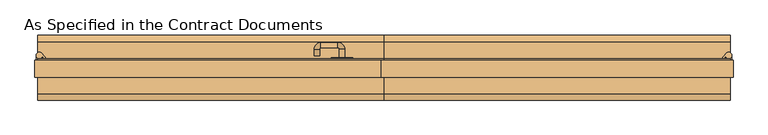
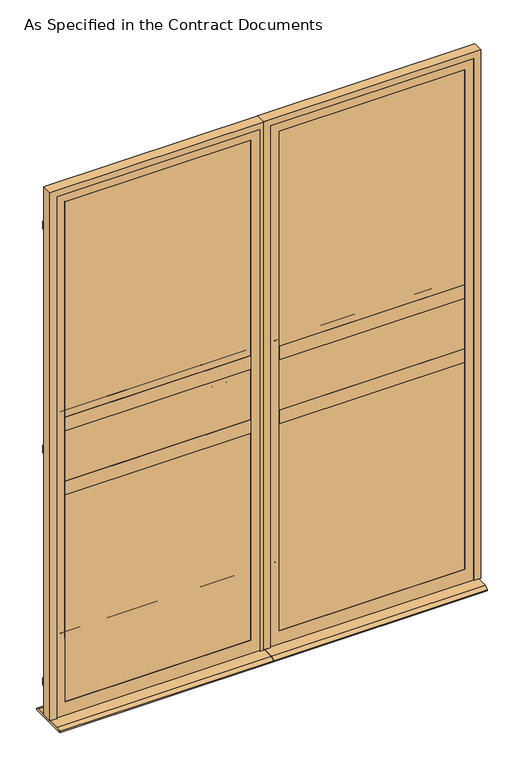
"""IFC4 building model written with IfcOpenShell, lengths in millimetres: door geometry, As Specified in the Contract Documents."""

from ifc_helpers import new_model, si_unit, point, frame, frame_2d, origin, place, context, project, spatial, polyline, circle_curve, ellipse_curve, trimmed, segment, composite_curve, outline, extrude, faceted_brep, source, transform, mapped, element, save
from ifc_brep_helpers import plane_surface, cylinder_surface, revolved_surface, advanced_brep


def as_specified_in_the_contract_documents_c874799b(model_context):
    return source(origin(), model_context, "Body", "SolidModel", [
        extrude(outline(composite_curve([segment(trimmed(circle_curve(frame_2d((747.5094297, 43.9744777)), 6.35), [point((753.8594297, 43.9744777))], [point((741.1594297, 43.9744777))], False, "CARTESIAN"), True, "CONTINUOUS"), segment(trimmed(circle_curve(frame_2d((747.5094297, 43.9744777)), 6.35), [point((741.1594297, 43.9744777))], [point((753.8594297, 43.9744777))], False, "CARTESIAN"), True, "CONTINUOUS")], self_intersect=False)), frame((0.0, 0.0, 1974.4305689), z_axis=(0.0, 0.0, 1.0), x_axis=(1.0, 0.0, 0.0)), (0.0, 0.0, 1.0), 1.6100561),
        extrude(outline(composite_curve([segment(polyline([(754.917399, 32.5375), (751.742399, 32.5375), (751.742399, 37.8950057)]), True, "CONTINUOUS"), segment(trimmed(circle_curve(frame_2d((747.5094297, 43.9744777)), 7.4079693), [point((751.742399, 37.8950057))], [point((754.917399, 43.9744777))], False, "CARTESIAN"), True, "CONTINUOUS"), segment(polyline([(754.917399, 43.9744777), (754.917399, 32.5375)]), True, "CONTINUOUS")], self_intersect=False)), frame((0.0, 0.0, 1962.9211939), z_axis=(0.0, 0.0, 1.0), x_axis=(1.0, 0.0, 0.0)), (0.0, 0.0, 1.0), 11.509375),
        extrude(outline(composite_curve([segment(polyline([(731.2867368, 35.7125), (741.7523563, 48.6364639)]), True, "CONTINUOUS"), segment(trimmed(circle_curve(frame_2d((747.5094297, 43.9744777)), 7.4079693), [point((741.7523563, 48.6364639))], [point((740.3938591, 41.9137345))], False, "CARTESIAN"), True, "CONTINUOUS"), segment(polyline([(740.3938591, 41.9137345), (735.3721984, 35.7125), (731.2867368, 35.7125)]), True, "CONTINUOUS")], self_intersect=False)), frame((0.0, 0.0, 1976.040625), z_axis=(0.0, 0.0, 1.0), x_axis=(1.0, 0.0, 0.0)), (0.0, 0.0, 1.0), 11.509375),
        extrude(outline(composite_curve([segment(trimmed(circle_curve(frame_2d((747.5094297, 43.9744777)), 6.35), [point((753.8594297, 43.9744777))], [point((741.1594297, 43.9744777))], False, "CARTESIAN"), True, "CONTINUOUS"), segment(trimmed(circle_curve(frame_2d((747.5094297, 43.9744777)), 6.35), [point((741.1594297, 43.9744777))], [point((753.8594297, 43.9744777))], False, "CARTESIAN"), True, "CONTINUOUS")], self_intersect=False)), frame((0.0, 0.0, 1074.7375), z_axis=(0.0, 0.0, 1.0), x_axis=(1.0, 0.0, 0.0)), (0.0, 0.0, 1.0), 1.6100561),
        extrude(outline(composite_curve([segment(polyline([(754.917399, 32.5375), (751.742399, 32.5375), (751.742399, 37.8950057)]), True, "CONTINUOUS"), segment(trimmed(circle_curve(frame_2d((747.5094297, 43.9744777)), 7.4079693), [point((751.742399, 37.8950057))], [point((754.917399, 43.9744777))], False, "CARTESIAN"), True, "CONTINUOUS"), segment(polyline([(754.917399, 43.9744777), (754.917399, 32.5375)]), True, "CONTINUOUS")], self_intersect=False)), frame((0.0, 0.0, 1063.228125), z_axis=(0.0, 0.0, 1.0), x_axis=(1.0, 0.0, 0.0)), (0.0, 0.0, 1.0), 11.509375),
        extrude(outline(composite_curve([segment(polyline([(731.2867368, 35.7125), (741.7523563, 48.6364639)]), True, "CONTINUOUS"), segment(trimmed(circle_curve(frame_2d((747.5094297, 43.9744777)), 7.4079693), [point((741.7523563, 48.6364639))], [point((740.3938591, 41.9137345))], False, "CARTESIAN"), True, "CONTINUOUS"), segment(polyline([(740.3938591, 41.9137345), (735.3721984, 35.7125), (731.2867368, 35.7125)]), True, "CONTINUOUS")], self_intersect=False)), frame((0.0, 0.0, 1076.3475561), z_axis=(0.0, 0.0, 1.0), x_axis=(1.0, 0.0, 0.0)), (0.0, 0.0, 1.0), 11.509375),
        extrude(outline(composite_curve([segment(trimmed(circle_curve(frame_2d((747.5094297, 43.9744777)), 6.35), [point((753.8594297, 43.9744777))], [point((741.1594297, 43.9744777))], False, "CARTESIAN"), True, "CONTINUOUS"), segment(trimmed(circle_curve(frame_2d((747.5094297, 43.9744777)), 6.35), [point((741.1594297, 43.9744777))], [point((753.8594297, 43.9744777))], False, "CARTESIAN"), True, "CONTINUOUS")], self_intersect=False)), frame((0.0, 0.0, 139.2805689), z_axis=(0.0, 0.0, 1.0), x_axis=(1.0, 0.0, 0.0)), (0.0, 0.0, 1.0), 1.6100561),
        extrude(outline(composite_curve([segment(polyline([(754.917399, 32.5375), (751.742399, 32.5375), (751.742399, 37.8950057)]), True, "CONTINUOUS"), segment(trimmed(circle_curve(frame_2d((747.5094297, 43.9744777)), 7.4079693), [point((751.742399, 37.8950057))], [point((754.917399, 43.9744777))], False, "CARTESIAN"), True, "CONTINUOUS"), segment(polyline([(754.917399, 43.9744777), (754.917399, 32.5375)]), True, "CONTINUOUS")], self_intersect=False)), frame((0.0, 0.0, 127.7711939), z_axis=(0.0, 0.0, 1.0), x_axis=(1.0, 0.0, 0.0)), (0.0, 0.0, 1.0), 11.509375),
        extrude(outline(composite_curve([segment(polyline([(731.2867368, 35.7125), (741.7523563, 48.6364639)]), True, "CONTINUOUS"), segment(trimmed(circle_curve(frame_2d((747.5094297, 43.9744777)), 7.4079693), [point((741.7523563, 48.6364639))], [point((740.3938591, 41.9137345))], False, "CARTESIAN"), True, "CONTINUOUS"), segment(polyline([(740.3938591, 41.9137345), (735.3721984, 35.7125), (731.2867368, 35.7125)]), True, "CONTINUOUS")], self_intersect=False)), frame((0.0, 0.0, 140.890625), z_axis=(0.0, 0.0, 1.0), x_axis=(1.0, 0.0, 0.0)), (0.0, 0.0, 1.0), 11.509375),
        faceted_brep([(751.2797422, 32.5375, 17.4625), (757.6297422, 32.5375, 17.4625), (757.6297422, -7.15, 17.4625), (732.2297422, -7.15, 17.4625), (732.2297422, -3.975, 17.4625), (751.2797422, -3.975, 17.4625), (751.2797422, 32.5375, 2133.6), (-61.5202578, 32.5375, 2133.6), (-61.5202578, 32.5375, 17.4625), (-67.8702578, 32.5375, 17.4625), (-67.8702578, 32.5375, 2139.95), (757.6297422, 32.5375, 2139.95), (757.6297422, -7.15, 2139.95), (-67.8702578, -7.15, 2139.95), (-67.8702578, -7.15, 17.4625), (-42.4702578, -7.15, 17.4625), (-42.4702578, -7.15, 2114.55), (732.2297422, -7.15, 2114.55), (732.2297422, -3.975, 2114.55), (-42.4702578, -3.975, 2114.55), (-42.4702578, -3.975, 17.4625), (-61.5202578, -3.975, 17.4625), (-61.5202578, -3.975, 2133.6), (751.2797422, -3.975, 2133.6)], [[[0, 1, 2, 3, 4, 5]], [[1, 0, 6, 7, 8, 9, 10, 11]], [[2, 1, 11, 12]], [[3, 2, 12, 13, 14, 15, 16, 17]], [[4, 3, 17, 18]], [[5, 4, 18, 19, 20, 21, 22, 23]], [[0, 5, 23, 6]], [[12, 11, 10, 13]], [[18, 17, 16, 19]], [[6, 23, 22, 7]], [[8, 21, 20, 15, 14, 9]], [[13, 10, 9, 14]], [[19, 16, 15, 20]], [[7, 22, 21, 8]]]),
        extrude(outline(polyline([(697.3047422, -3.975), (-7.5452578, -3.975), (-7.5452578, 35.7125), (697.3047422, 35.7125), (697.3047422, -3.975)])), frame((0.0, 0.0, 1160.4625), z_axis=(0.0, 0.0, 1.0), x_axis=(1.0, 0.0, 0.0)), (0.0, 0.0, 1.0), 53.975),
        extrude(outline(polyline([(697.3047422, -3.975), (-7.5452578, -3.975), (-7.5452578, 35.7125), (697.3047422, 35.7125), (697.3047422, -3.975)])), frame((0.0, 0.0, 903.2875), z_axis=(0.0, 0.0, 1.0), x_axis=(1.0, 0.0, 0.0)), (0.0, 0.0, 1.0), 53.975),
        extrude(outline(polyline([(697.3047422, -0.8), (-7.5452578, -0.8), (-7.5452578, 32.5375), (697.3047422, 32.5375), (697.3047422, -0.8)])), frame((0.0, 0.0, 71.4375), z_axis=(0.0, 0.0, 1.0), x_axis=(1.0, 0.0, 0.0)), (0.0, 0.0, 1.0), 252.4125),
        extrude(outline(polyline([(697.3047422, -0.8), (-7.5452578, -0.8), (-7.5452578, 32.5375), (697.3047422, 32.5375), (697.3047422, -0.8)])), frame((0.0, 0.0, 957.2625), z_axis=(0.0, 0.0, 1.0), x_axis=(1.0, 0.0, 0.0)), (0.0, 0.0, 1.0), 203.2),
        extrude(outline(polyline([(92.06875, 4.826), (92.06875, 0.0), (-60.33125, 0.0), (-60.33125, 4.826), (-45.063334, 12.7), (76.800834, 12.7), (92.06875, 4.826)])), frame((-61.5202578, 0.0, 0.0), z_axis=(1.0, 0.0, 0.0), x_axis=(0.0, 1.0, 0.0)), (0.0, 0.0, 1.0), 812.8),
        extrude(outline(polyline([(751.2797422, -3.18125), (-61.5202578, -3.18125), (-61.5202578, 25.39375), (751.2797422, 25.39375), (751.2797422, -3.18125)])), frame((0.0, 0.0, 17.4625), z_axis=(0.0, 0.0, 1.0), x_axis=(1.0, 0.0, 0.0)), (0.0, 0.0, 1.0), 2116.1375),
        extrude(outline(polyline([(2133.6, -61.5202578), (17.4625, -61.5202578), (17.4625, 751.2797422), (2133.6, 751.2797422), (2133.6, -61.5202578)]), holes=[polyline([(2079.625, -7.5452578), (2079.625, 697.3047422), (71.4375, 697.3047422), (71.4375, -7.5452578), (2079.625, -7.5452578)])]), frame((0.0, -3.975, 0.0), z_axis=(0.0, 1.0, 0.0), x_axis=(0.0, 0.0, 1.0)), (0.0, 0.0, 1.0), 39.6875),
        advanced_brep(
        [(-7.5452578, 6.34375, 323.85), (-3.9781607, 6.34375, 323.85), (-6.1169007, 1.2399053, 323.85), (-7.5452578, -0.8, 323.85), (-7.5452578, 6.34375, 2079.625), (697.3047422, 6.34375, 2079.625), (697.3047422, 6.34375, 323.85), (693.7376452, 6.34375, 323.85), (693.7376452, 6.34375, 2076.057903), (-3.9781607, 6.34375, 2076.057903), (-6.1169007, 1.2399053, 2078.196643), (-7.5452578, -0.8, 2079.625), (695.8763852, 1.2399053, 2078.196643), (697.3047422, -0.8, 2079.625), (697.3047422, -0.8, 323.85), (695.8763852, 1.2399053, 323.85)],
        [
            (0, 1),
            (1, 2, circle_curve(frame((-9.2013422, 5.5324611, 323.85), z_axis=(0.0, 0.0, -1.0), x_axis=(0.0, -1.0, 0.0)), 5.2858126)),
            (2, 3),
            (3, 0),
            (0, 4),
            (4, 5),
            (5, 6),
            (6, 7),
            (7, 8),
            (8, 9),
            (9, 1),
            (9, 10, ellipse_curve(frame((-9.2013422, 5.5324611, 2081.2810845), z_axis=(-0.7071067811865475, 0.0, -0.7071067811865475), x_axis=(0.7071067811865474, 0.0, -0.7071067811865476)), 7.4752678, 5.2858126)),
            (10, 2),
            (10, 11),
            (11, 3),
            (11, 4),
            (8, 12, ellipse_curve(frame((698.9608267, 5.5324611, 2081.2810845), z_axis=(-0.7071067811865475, 0.0, 0.7071067811865475), x_axis=(-0.7071067811865476, 0.0, -0.7071067811865474)), 7.4752678, 5.2858126)),
            (12, 10),
            (12, 13),
            (13, 11),
            (13, 5),
            (6, 14),
            (14, 15),
            (15, 7, circle_curve(frame((698.9608267, 5.5324611, 323.85), z_axis=(0.0, 0.0, -1.0), x_axis=(0.0, -1.0, 0.0)), 5.2858126)),
            (15, 12),
            (14, 13),
        ],
        [
            plane_surface(frame((-7.5452578, -3.975, 323.85), z_axis=(0.0, 0.0, -1.0), x_axis=(1.0, 0.0, 0.0))),
            plane_surface(frame((-7.5452578, 6.34375, 323.85), z_axis=(0.0, 1.0, 0.0), x_axis=(0.0, 0.0, 1.0))),
            cylinder_surface(frame((-9.2013422, 5.5324611, 323.85), z_axis=(0.0, 0.0, -1.0), x_axis=(0.0, -1.0, 0.0)), 5.2858126),
            plane_surface(frame((-6.1169007, 1.2399053, 323.85), z_axis=(0.8191520442889904, -0.5735764363510482, 0.0), x_axis=(0.0, 0.0, 1.0))),
            plane_surface(frame((-7.5452578, -0.8, 323.85), z_axis=(-1.0, 0.0, 0.0), x_axis=(0.0, 0.0, 1.0))),
            cylinder_surface(frame((-7.5452578, 5.5324611, 2081.2810845), z_axis=(-1.0, 0.0, 0.0), x_axis=(0.0, -1.0, 0.0)), 5.2858126),
            plane_surface(frame((-6.1169007, 1.2399053, 2078.196643), z_axis=(0.0, -0.5735764363510482, -0.8191520442889904), x_axis=(1.0, 0.0, 0.0))),
            plane_surface(frame((-7.5452578, -0.8, 2079.625), z_axis=(0.0, 0.0, 1.0), x_axis=(1.0, 0.0, 0.0))),
            plane_surface(frame((697.3047422, -3.975, 323.85), z_axis=(0.0, 0.0, -1.0), x_axis=(-1.0, 0.0, 0.0))),
            cylinder_surface(frame((698.9608267, 5.5324611, 2079.625), z_axis=(0.0, 0.0, 1.0), x_axis=(0.0, -1.0, 0.0)), 5.2858126),
            plane_surface(frame((695.8763852, 1.2399053, 2078.196643), z_axis=(-0.8191520442889904, -0.5735764363510482, 0.0), x_axis=(0.0, 0.0, -1.0))),
            plane_surface(frame((697.3047422, -0.8, 2079.625), z_axis=(1.0, 0.0, 0.0), x_axis=(0.0, 0.0, -1.0))),
        ],
        [
            (0, [[1, 2, 3, 4]]),
            (1, [[-1, 5, 6, 7, 8, 9, 10, 11]]),
            (2, [[-2, -11, 12, 13]]),
            (3, [[-3, -13, 14, 15]]),
            (4, [[-4, -15, 16, -5]]),
            (5, [[-12, -10, 17, 18]]),
            (6, [[-14, -18, 19, 20]]),
            (7, [[-16, -20, 21, -6]]),
            (8, [[22, 23, 24, -8]]),
            (9, [[-17, -9, -24, 25]]),
            (10, [[-19, -25, -23, 26]]),
            (11, [[-21, -26, -22, -7]]),
        ],
    ),
        extrude(outline(composite_curve([segment(polyline([(6.34375, 903.2875), (6.34375, 899.720403)]), True, "CONTINUOUS"), segment(trimmed(circle_curve(frame_2d((5.5324611, 904.9435845)), 5.2858126), [point((6.34375, 899.720403))], [point((1.2399053, 901.859143))], False, "CARTESIAN"), True, "CONTINUOUS"), segment(polyline([(1.2399053, 901.859143), (-0.8, 903.2875), (6.34375, 903.2875)]), True, "CONTINUOUS")], self_intersect=False)), frame((-7.5452578, 0.0, 0.0), z_axis=(1.0, 0.0, 0.0), x_axis=(0.0, 1.0, 0.0)), (0.0, 0.0, 1.0), 704.85),
        extrude(outline(composite_curve([segment(polyline([(6.34375, 1214.4375), (-0.8, 1214.4375), (1.2399053, 1215.865857)]), True, "CONTINUOUS"), segment(trimmed(circle_curve(frame_2d((5.5324611, 1212.7814155)), 5.2858126), [point((1.2399053, 1215.865857))], [point((6.34375, 1218.004597))], False, "CARTESIAN"), True, "CONTINUOUS"), segment(polyline([(6.34375, 1218.004597), (6.34375, 1214.4375)]), True, "CONTINUOUS")], self_intersect=False)), frame((-7.5452578, 0.0, 0.0), z_axis=(1.0, 0.0, 0.0), x_axis=(0.0, 1.0, 0.0)), (0.0, 0.0, 1.0), 704.85),
        extrude(outline(composite_curve([segment(polyline([(6.34375, 323.85), (-0.8, 323.85), (1.2399053, 325.278357)]), True, "CONTINUOUS"), segment(trimmed(circle_curve(frame_2d((5.5324611, 322.1939155)), 5.2858126), [point((1.2399053, 325.278357))], [point((6.34375, 327.417097))], False, "CARTESIAN"), True, "CONTINUOUS"), segment(polyline([(6.34375, 327.417097), (6.34375, 323.85)]), True, "CONTINUOUS")], self_intersect=False)), frame((-7.5452578, 0.0, 0.0), z_axis=(1.0, 0.0, 0.0), x_axis=(0.0, 1.0, 0.0)), (0.0, 0.0, 1.0), 704.85),
        advanced_brep(
        [(697.3047422, 25.39375, 323.85), (693.7376452, 25.39375, 323.85), (695.8763852, 30.4975947, 323.85), (697.3047422, 32.5375, 323.85), (697.3047422, 25.39375, 2079.625), (-7.5452578, 25.39375, 2079.625), (-7.5452578, 25.39375, 323.85), (-3.9781607, 25.39375, 323.85), (-3.9781607, 25.39375, 2076.057903), (693.7376452, 25.39375, 2076.057903), (695.8763852, 30.4975947, 2078.196643), (697.3047422, 32.5375, 2079.625), (-6.1169007, 30.4975947, 2078.196643), (-7.5452578, 32.5375, 2079.625), (-7.5452578, 32.5375, 323.85), (-6.1169007, 30.4975947, 323.85)],
        [
            (0, 1),
            (1, 2, circle_curve(frame((698.9608267, 26.2050389, 323.85), z_axis=(0.0, 0.0, -1.0), x_axis=(0.0, 1.0, 0.0)), 5.2858126)),
            (2, 3),
            (3, 0),
            (0, 4),
            (4, 5),
            (5, 6),
            (6, 7),
            (7, 8),
            (8, 9),
            (9, 1),
            (9, 10, ellipse_curve(frame((698.9608267, 26.2050389, 2081.2810845), z_axis=(0.7071067811865475, 0.0, -0.7071067811865475), x_axis=(-0.7071067811865474, 0.0, -0.7071067811865476)), 7.4752678, 5.2858126)),
            (10, 2),
            (10, 11),
            (11, 3),
            (11, 4),
            (8, 12, ellipse_curve(frame((-9.2013422, 26.2050389, 2081.2810845), z_axis=(0.7071067811865475, 0.0, 0.7071067811865475), x_axis=(0.7071067811865476, 0.0, -0.7071067811865474)), 7.4752678, 5.2858126)),
            (12, 10),
            (12, 13),
            (13, 11),
            (13, 5),
            (6, 14),
            (14, 15),
            (15, 7, circle_curve(frame((-9.2013422, 26.2050389, 323.85), z_axis=(0.0, 0.0, -1.0), x_axis=(0.0, 1.0, 0.0)), 5.2858126)),
            (15, 12),
            (14, 13),
        ],
        [
            plane_surface(frame((697.3047422, 35.7125, 323.85), z_axis=(0.0, 0.0, -1.0), x_axis=(-1.0, 0.0, 0.0))),
            plane_surface(frame((697.3047422, 25.39375, 323.85), z_axis=(0.0, -1.0, 0.0), x_axis=(0.0, 0.0, 1.0))),
            cylinder_surface(frame((698.9608267, 26.2050389, 323.85), z_axis=(0.0, 0.0, -1.0), x_axis=(0.0, 1.0, 0.0)), 5.2858126),
            plane_surface(frame((695.8763852, 30.4975947, 323.85), z_axis=(-0.8191520442889904, 0.5735764363510482, 0.0), x_axis=(0.0, 0.0, 1.0))),
            plane_surface(frame((697.3047422, 32.5375, 323.85), z_axis=(1.0, 0.0, 0.0), x_axis=(0.0, 0.0, 1.0))),
            cylinder_surface(frame((697.3047422, 26.2050389, 2081.2810845), z_axis=(1.0, 0.0, 0.0), x_axis=(0.0, 1.0, 0.0)), 5.2858126),
            plane_surface(frame((695.8763852, 30.4975947, 2078.196643), z_axis=(0.0, 0.5735764363510482, -0.8191520442889904), x_axis=(-1.0, 0.0, 0.0))),
            plane_surface(frame((697.3047422, 32.5375, 2079.625), z_axis=(0.0, 0.0, 1.0), x_axis=(-1.0, 0.0, 0.0))),
            plane_surface(frame((-7.5452578, 35.7125, 323.85), z_axis=(0.0, 0.0, -1.0), x_axis=(1.0, 0.0, 0.0))),
            cylinder_surface(frame((-9.2013422, 26.2050389, 2079.625), z_axis=(0.0, 0.0, 1.0), x_axis=(0.0, 1.0, 0.0)), 5.2858126),
            plane_surface(frame((-6.1169007, 30.4975947, 2078.196643), z_axis=(0.8191520442889904, 0.5735764363510482, 0.0), x_axis=(0.0, 0.0, -1.0))),
            plane_surface(frame((-7.5452578, 32.5375, 2079.625), z_axis=(-1.0, 0.0, 0.0), x_axis=(0.0, 0.0, -1.0))),
        ],
        [
            (0, [[1, 2, 3, 4]]),
            (1, [[-1, 5, 6, 7, 8, 9, 10, 11]]),
            (2, [[-2, -11, 12, 13]]),
            (3, [[-3, -13, 14, 15]]),
            (4, [[-4, -15, 16, -5]]),
            (5, [[-12, -10, 17, 18]]),
            (6, [[-14, -18, 19, 20]]),
            (7, [[-16, -20, 21, -6]]),
            (8, [[22, 23, 24, -8]]),
            (9, [[-17, -9, -24, 25]]),
            (10, [[-19, -25, -23, 26]]),
            (11, [[-21, -26, -22, -7]]),
        ],
    ),
        extrude(outline(composite_curve([segment(polyline([(25.39375, 903.2875), (32.5375, 903.2875), (30.4975947, 901.859143)]), True, "CONTINUOUS"), segment(trimmed(circle_curve(frame_2d((26.2050389, 904.9435845)), 5.2858126), [point((30.4975947, 901.859143))], [point((25.39375, 899.720403))], False, "CARTESIAN"), True, "CONTINUOUS"), segment(polyline([(25.39375, 899.720403), (25.39375, 903.2875)]), True, "CONTINUOUS")], self_intersect=False)), frame((-7.5452578, 0.0, 0.0), z_axis=(1.0, 0.0, 0.0), x_axis=(0.0, 1.0, 0.0)), (0.0, 0.0, 1.0), 704.85),
        extrude(outline(composite_curve([segment(polyline([(25.39375, 1214.4375), (25.39375, 1218.004597)]), True, "CONTINUOUS"), segment(trimmed(circle_curve(frame_2d((26.2050389, 1212.7814155)), 5.2858126), [point((25.39375, 1218.004597))], [point((30.4975947, 1215.865857))], False, "CARTESIAN"), True, "CONTINUOUS"), segment(polyline([(30.4975947, 1215.865857), (32.5375, 1214.4375), (25.39375, 1214.4375)]), True, "CONTINUOUS")], self_intersect=False)), frame((-7.5452578, 0.0, 0.0), z_axis=(1.0, 0.0, 0.0), x_axis=(0.0, 1.0, 0.0)), (0.0, 0.0, 1.0), 704.85),
        extrude(outline(composite_curve([segment(polyline([(25.39375, 323.85), (25.39375, 327.417097)]), True, "CONTINUOUS"), segment(trimmed(circle_curve(frame_2d((26.2050389, 322.1939155)), 5.2858126), [point((25.39375, 327.417097))], [point((30.4975947, 325.278357))], False, "CARTESIAN"), True, "CONTINUOUS"), segment(polyline([(30.4975947, 325.278357), (32.5375, 323.85), (25.39375, 323.85)]), True, "CONTINUOUS")], self_intersect=False)), frame((-7.5452578, 0.0, 0.0), z_axis=(1.0, 0.0, 0.0), x_axis=(0.0, 1.0, 0.0)), (0.0, 0.0, 1.0), 704.85),
        extrude(outline(composite_curve([segment(trimmed(circle_curve(frame_2d((-870.5499453, 43.9744777)), 6.35), [point((-876.8999453, 43.9744777))], [point((-864.1999453, 43.9744777))], False, "CARTESIAN"), True, "CONTINUOUS"), segment(trimmed(circle_curve(frame_2d((-870.5499453, 43.9744777)), 6.35), [point((-864.1999453, 43.9744777))], [point((-876.8999453, 43.9744777))], False, "CARTESIAN"), True, "CONTINUOUS")], self_intersect=False)), frame((0.0, 0.0, 1974.4305689), z_axis=(0.0, 0.0, 1.0), x_axis=(1.0, 0.0, 0.0)), (0.0, 0.0, 1.0), 1.6100561),
        extrude(outline(composite_curve([segment(polyline([(-877.9579145, 32.5375), (-877.9579145, 43.9744777)]), True, "CONTINUOUS"), segment(trimmed(circle_curve(frame_2d((-870.5499453, 43.9744777)), 7.4079693), [point((-877.9579145, 43.9744777))], [point((-874.7829145, 37.8950057))], False, "CARTESIAN"), True, "CONTINUOUS"), segment(polyline([(-874.7829145, 37.8950057), (-874.7829145, 32.5375), (-877.9579145, 32.5375)]), True, "CONTINUOUS")], self_intersect=False)), frame((0.0, 0.0, 1962.9211939), z_axis=(0.0, 0.0, 1.0), x_axis=(1.0, 0.0, 0.0)), (0.0, 0.0, 1.0), 11.509375),
        extrude(outline(composite_curve([segment(polyline([(-854.3272523, 35.7125), (-858.4127139, 35.7125), (-863.4343746, 41.9137345)]), True, "CONTINUOUS"), segment(trimmed(circle_curve(frame_2d((-870.5499453, 43.9744777)), 7.4079693), [point((-863.4343746, 41.9137345))], [point((-864.7928719, 48.6364639))], False, "CARTESIAN"), True, "CONTINUOUS"), segment(polyline([(-864.7928719, 48.6364639), (-854.3272523, 35.7125)]), True, "CONTINUOUS")], self_intersect=False)), frame((0.0, 0.0, 1976.040625), z_axis=(0.0, 0.0, 1.0), x_axis=(1.0, 0.0, 0.0)), (0.0, 0.0, 1.0), 11.509375),
        extrude(outline(composite_curve([segment(trimmed(circle_curve(frame_2d((-870.5499453, 43.9744777)), 6.35), [point((-876.8999453, 43.9744777))], [point((-864.1999453, 43.9744777))], False, "CARTESIAN"), True, "CONTINUOUS"), segment(trimmed(circle_curve(frame_2d((-870.5499453, 43.9744777)), 6.35), [point((-864.1999453, 43.9744777))], [point((-876.8999453, 43.9744777))], False, "CARTESIAN"), True, "CONTINUOUS")], self_intersect=False)), frame((0.0, 0.0, 1074.7375), z_axis=(0.0, 0.0, 1.0), x_axis=(1.0, 0.0, 0.0)), (0.0, 0.0, 1.0), 1.6100561),
        extrude(outline(composite_curve([segment(polyline([(-877.9579145, 32.5375), (-877.9579145, 43.9744777)]), True, "CONTINUOUS"), segment(trimmed(circle_curve(frame_2d((-870.5499453, 43.9744777)), 7.4079693), [point((-877.9579145, 43.9744777))], [point((-874.7829145, 37.8950057))], False, "CARTESIAN"), True, "CONTINUOUS"), segment(polyline([(-874.7829145, 37.8950057), (-874.7829145, 32.5375), (-877.9579145, 32.5375)]), True, "CONTINUOUS")], self_intersect=False)), frame((0.0, 0.0, 1063.228125), z_axis=(0.0, 0.0, 1.0), x_axis=(1.0, 0.0, 0.0)), (0.0, 0.0, 1.0), 11.509375),
        extrude(outline(composite_curve([segment(polyline([(-854.3272523, 35.7125), (-858.4127139, 35.7125), (-863.4343746, 41.9137345)]), True, "CONTINUOUS"), segment(trimmed(circle_curve(frame_2d((-870.5499453, 43.9744777)), 7.4079693), [point((-863.4343746, 41.9137345))], [point((-864.7928719, 48.6364639))], False, "CARTESIAN"), True, "CONTINUOUS"), segment(polyline([(-864.7928719, 48.6364639), (-854.3272523, 35.7125)]), True, "CONTINUOUS")], self_intersect=False)), frame((0.0, 0.0, 1076.3475561), z_axis=(0.0, 0.0, 1.0), x_axis=(1.0, 0.0, 0.0)), (0.0, 0.0, 1.0), 11.509375),
        extrude(outline(composite_curve([segment(trimmed(circle_curve(frame_2d((-870.5499453, 43.9744777)), 6.35), [point((-876.8999453, 43.9744777))], [point((-864.1999453, 43.9744777))], False, "CARTESIAN"), True, "CONTINUOUS"), segment(trimmed(circle_curve(frame_2d((-870.5499453, 43.9744777)), 6.35), [point((-864.1999453, 43.9744777))], [point((-876.8999453, 43.9744777))], False, "CARTESIAN"), True, "CONTINUOUS")], self_intersect=False)), frame((0.0, 0.0, 139.2805689), z_axis=(0.0, 0.0, 1.0), x_axis=(1.0, 0.0, 0.0)), (0.0, 0.0, 1.0), 1.6100561),
        extrude(outline(composite_curve([segment(polyline([(-877.9579145, 32.5375), (-877.9579145, 43.9744777)]), True, "CONTINUOUS"), segment(trimmed(circle_curve(frame_2d((-870.5499453, 43.9744777)), 7.4079693), [point((-877.9579145, 43.9744777))], [point((-874.7829145, 37.8950057))], False, "CARTESIAN"), True, "CONTINUOUS"), segment(polyline([(-874.7829145, 37.8950057), (-874.7829145, 32.5375), (-877.9579145, 32.5375)]), True, "CONTINUOUS")], self_intersect=False)), frame((0.0, 0.0, 127.7711939), z_axis=(0.0, 0.0, 1.0), x_axis=(1.0, 0.0, 0.0)), (0.0, 0.0, 1.0), 11.509375),
        extrude(outline(composite_curve([segment(polyline([(-854.3272523, 35.7125), (-858.4127139, 35.7125), (-863.4343746, 41.9137345)]), True, "CONTINUOUS"), segment(trimmed(circle_curve(frame_2d((-870.5499453, 43.9744777)), 7.4079693), [point((-863.4343746, 41.9137345))], [point((-864.7928719, 48.6364639))], False, "CARTESIAN"), True, "CONTINUOUS"), segment(polyline([(-864.7928719, 48.6364639), (-854.3272523, 35.7125)]), True, "CONTINUOUS")], self_intersect=False)), frame((0.0, 0.0, 140.890625), z_axis=(0.0, 0.0, 1.0), x_axis=(1.0, 0.0, 0.0)), (0.0, 0.0, 1.0), 11.509375),
        advanced_brep(
        [(-153.8492578, 38.8875, 1089.025), (-166.0412578, 38.8875, 1089.025), (-166.0412578, 58.6898551, 1089.025), (-153.8492578, 58.6898551, 1089.025), (-169.4702578, 62.1188551, 1089.025), (-169.4702578, 74.3108551, 1089.025), (-209.4270616, 62.1188551, 1089.025), (-209.4270616, 74.3108551, 1089.025), (-212.8560616, 58.6898551, 1089.025), (-225.0480616, 58.6898551, 1089.025), (-225.0480616, 42.9521667, 1089.025), (-212.8560616, 42.9521667, 1089.025)],
        [
            (0, 1, circle_curve(frame((-159.9452578, 38.8875, 1089.025), z_axis=(0.0, -1.0, 0.0), x_axis=(-1.0, 0.0, 0.0)), 6.096)),
            (1, 0, circle_curve(frame((-159.9452578, 38.8875, 1089.025), z_axis=(0.0, -1.0, 0.0), x_axis=(-1.0, 0.0, 0.0)), 6.096)),
            (1, 2),
            (2, 3, circle_curve(frame((-159.9452578, 58.6898551, 1089.025), z_axis=(0.0, -1.0, 0.0), x_axis=(-1.0, 0.0, 0.0)), 6.096)),
            (3, 0),
            (3, 2, circle_curve(frame((-159.9452578, 58.6898551, 1089.025), z_axis=(0.0, -1.0, 0.0), x_axis=(-1.0, 0.0, 0.0)), 6.096)),
            (4, 5, circle_curve(frame((-169.4702578, 68.2148551, 1089.025), z_axis=(1.0, 0.0, 0.0), x_axis=(0.0, -1.0, 0.0)), 6.096)),
            (5, 3, circle_curve(frame((-169.4702578, 58.6898551, 1089.025), z_axis=(0.0, 0.0, -1.0), x_axis=(1.0, 0.0, 0.0)), 15.621)),
            (2, 4, circle_curve(frame((-169.4702578, 58.6898551, 1089.025), z_axis=(0.0, 0.0, 1.0), x_axis=(1.0, 0.0, 0.0)), 3.429)),
            (5, 4, circle_curve(frame((-169.4702578, 68.2148551, 1089.025), z_axis=(1.0, 0.0, 0.0), x_axis=(0.0, -1.0, 0.0)), 6.096)),
            (4, 6),
            (6, 7, circle_curve(frame((-209.4270616, 68.2148551, 1089.025), z_axis=(1.0, 0.0, 0.0), x_axis=(0.0, -1.0, 0.0)), 6.096)),
            (7, 5),
            (7, 6, circle_curve(frame((-209.4270616, 68.2148551, 1089.025), z_axis=(1.0, 0.0, 0.0), x_axis=(0.0, -1.0, 0.0)), 6.096)),
            (8, 9, circle_curve(frame((-218.9520616, 58.6898551, 1089.025), z_axis=(0.0, 1.0, 0.0), x_axis=(1.0, 0.0, 0.0)), 6.096)),
            (9, 7, circle_curve(frame((-209.4270616, 58.6898551, 1089.025), z_axis=(0.0, 0.0, -1.0), x_axis=(0.0, 1.0, 0.0)), 15.621)),
            (6, 8, circle_curve(frame((-209.4270616, 58.6898551, 1089.025), z_axis=(0.0, 0.0, 1.0), x_axis=(0.0, 1.0, 0.0)), 3.429)),
            (9, 8, circle_curve(frame((-218.9520616, 58.6898551, 1089.025), z_axis=(0.0, 1.0, 0.0), x_axis=(1.0, 0.0, 0.0)), 6.096)),
            (10, 11, circle_curve(frame((-218.9520616, 42.9521667, 1089.025), z_axis=(0.0, -1.0, 0.0), x_axis=(1.0, 0.0, 0.0)), 6.096)),
            (11, 10, circle_curve(frame((-218.9520616, 42.9521667, 1089.025), z_axis=(0.0, -1.0, 0.0), x_axis=(1.0, 0.0, 0.0)), 6.096)),
            (8, 11),
            (10, 9),
        ],
        [
            plane_surface(frame((-159.9452578, 38.8875, 1089.025), z_axis=(0.0, -1.0, 0.0), x_axis=(0.0, 0.0, -1.0))),
            cylinder_surface(frame((-159.9452578, 38.8875, 1089.025), z_axis=(0.0, -1.0, 0.0), x_axis=(-1.0, 0.0, 0.0)), 6.096),
            revolved_surface(trimmed(ellipse_curve(frame((-159.9452578, 58.6898551, 1089.025), z_axis=(0.0, 1.0, 0.0), x_axis=(-1.0, 0.0, 0.0)), 6.096, 6.096), [point((-153.8492578, 58.6898551, 1089.025))], [point((-166.0412578, 58.6898551, 1089.025))], True, "CARTESIAN"), (-169.4702578, 58.6898551, 1089.025), (0.0, 0.0, -1.0)),
            revolved_surface(trimmed(ellipse_curve(frame((-159.9452578, 58.6898551, 1089.025), z_axis=(0.0, 1.0, 0.0), x_axis=(-1.0, 0.0, 0.0)), 6.096, 6.096), [point((-166.0412578, 58.6898551, 1089.025))], [point((-153.8492578, 58.6898551, 1089.025))], True, "CARTESIAN"), (-169.4702578, 58.6898551, 1089.025), (0.0, 0.0, -1.0)),
            cylinder_surface(frame((-169.4702578, 68.2148551, 1089.025), z_axis=(1.0, 0.0, 0.0), x_axis=(0.0, -1.0, 0.0)), 6.096),
            revolved_surface(trimmed(ellipse_curve(frame((-209.4270616, 68.2148551, 1089.025), z_axis=(-1.0, 0.0, 0.0), x_axis=(0.0, -1.0, 0.0)), 6.096, 6.096), [point((-209.4270616, 74.3108551, 1089.025))], [point((-209.4270616, 62.1188551, 1089.025))], True, "CARTESIAN"), (-209.4270616, 58.6898551, 1089.025), (0.0, 0.0, -1.0)),
            revolved_surface(trimmed(ellipse_curve(frame((-209.4270616, 68.2148551, 1089.025), z_axis=(-1.0, 0.0, 0.0), x_axis=(0.0, -1.0, 0.0)), 6.096, 6.096), [point((-209.4270616, 62.1188551, 1089.025))], [point((-209.4270616, 74.3108551, 1089.025))], True, "CARTESIAN"), (-209.4270616, 58.6898551, 1089.025), (0.0, 0.0, -1.0)),
            plane_surface(frame((-218.9520616, 42.9521667, 1089.025), z_axis=(0.0, -1.0, 0.0), x_axis=(0.0, 0.0, -1.0))),
            cylinder_surface(frame((-218.9520616, 58.6898551, 1089.025), z_axis=(0.0, 1.0, 0.0), x_axis=(1.0, 0.0, 0.0)), 6.096),
        ],
        [
            (0, [[1, 2]]),
            (1, [[3, 4, 5, -2]]),
            (1, [[-5, 6, -3, -1]]),
            (2, [[7, 8, -4, 9]]),
            (3, [[10, -9, -6, -8]]),
            (4, [[11, 12, 13, -7]]),
            (4, [[-13, 14, -11, -10]]),
            (5, [[15, 16, -12, 17]]),
            (6, [[18, -17, -14, -16]]),
            (7, [[19, 20]]),
            (8, [[21, -19, 22, -15]]),
            (8, [[-22, -20, -21, -18]]),
        ],
    ),
        extrude(outline(composite_curve([segment(trimmed(circle_curve(frame_2d((1089.025, -159.9452578)), 25.4), [point((1089.025, -185.3452578))], [point((1089.025, -134.5452578))], False, "CARTESIAN"), True, "CONTINUOUS"), segment(trimmed(circle_curve(frame_2d((1089.025, -159.9452578)), 25.4), [point((1089.025, -134.5452578))], [point((1089.025, -185.3452578))], False, "CARTESIAN"), True, "CONTINUOUS")], self_intersect=False)), frame((0.0, 32.5375, 0.0), z_axis=(0.0, 1.0, 0.0), x_axis=(0.0, 0.0, 1.0)), (0.0, 0.0, 1.0), 6.35),
        extrude(outline(composite_curve([segment(trimmed(circle_curve(frame_2d((1021.6417023, -159.9452578)), 19.05), [point((1021.6417023, -178.9952578))], [point((1021.6417023, -140.8952578))], False, "CARTESIAN"), True, "CONTINUOUS"), segment(trimmed(circle_curve(frame_2d((1021.6417023, -159.9452578)), 19.05), [point((1021.6417023, -140.8952578))], [point((1021.6417023, -178.9952578))], False, "CARTESIAN"), True, "CONTINUOUS")], self_intersect=False)), frame((0.0, 32.5375, 0.0), z_axis=(0.0, 1.0, 0.0), x_axis=(0.0, 0.0, 1.0)), (0.0, 0.0, 1.0), 6.35),
        faceted_brep([(-874.3202578, 32.5375, 17.4625), (-874.3202578, -3.975, 17.4625), (-855.2702578, -3.975, 17.4625), (-855.2702578, -7.15, 17.4625), (-880.6702578, -7.15, 17.4625), (-880.6702578, 32.5375, 17.4625), (-880.6702578, 32.5375, 2139.95), (-55.1702578, 32.5375, 2139.95), (-55.1702578, 32.5375, 17.4625), (-61.5202578, 32.5375, 17.4625), (-61.5202578, 32.5375, 2133.6), (-874.3202578, 32.5375, 2133.6), (-880.6702578, -7.15, 2139.95), (-855.2702578, -7.15, 2114.55), (-80.5702578, -7.15, 2114.55), (-80.5702578, -7.15, 17.4625), (-55.1702578, -7.15, 17.4625), (-55.1702578, -7.15, 2139.95), (-855.2702578, -3.975, 2114.55), (-874.3202578, -3.975, 2133.6), (-61.5202578, -3.975, 2133.6), (-61.5202578, -3.975, 17.4625), (-80.5702578, -3.975, 17.4625), (-80.5702578, -3.975, 2114.55)], [[[0, 1, 2, 3, 4, 5]], [[5, 6, 7, 8, 9, 10, 11, 0]], [[4, 12, 6, 5]], [[3, 13, 14, 15, 16, 17, 12, 4]], [[2, 18, 13, 3]], [[1, 19, 20, 21, 22, 23, 18, 2]], [[0, 11, 19, 1]], [[12, 17, 7, 6]], [[18, 23, 14, 13]], [[11, 10, 20, 19]], [[9, 8, 16, 15, 22, 21]], [[17, 16, 8, 7]], [[23, 22, 15, 14]], [[10, 9, 21, 20]]]),
        extrude(outline(polyline([(-820.3452578, -3.975), (-820.3452578, 35.7125), (-115.4952578, 35.7125), (-115.4952578, -3.975), (-820.3452578, -3.975)])), frame((0.0, 0.0, 1160.4625), z_axis=(0.0, 0.0, 1.0), x_axis=(1.0, 0.0, 0.0)), (0.0, 0.0, 1.0), 53.975),
        extrude(outline(polyline([(-820.3452578, -3.975), (-820.3452578, 35.7125), (-115.4952578, 35.7125), (-115.4952578, -3.975), (-820.3452578, -3.975)])), frame((0.0, 0.0, 903.2875), z_axis=(0.0, 0.0, 1.0), x_axis=(1.0, 0.0, 0.0)), (0.0, 0.0, 1.0), 53.975),
        extrude(outline(polyline([(-820.3452578, -0.8), (-820.3452578, 32.5375), (-115.4952578, 32.5375), (-115.4952578, -0.8), (-820.3452578, -0.8)])), frame((0.0, 0.0, 71.4375), z_axis=(0.0, 0.0, 1.0), x_axis=(1.0, 0.0, 0.0)), (0.0, 0.0, 1.0), 252.4125),
        extrude(outline(polyline([(-820.3452578, -0.8), (-820.3452578, 32.5375), (-115.4952578, 32.5375), (-115.4952578, -0.8), (-820.3452578, -0.8)])), frame((0.0, 0.0, 957.2625), z_axis=(0.0, 0.0, 1.0), x_axis=(1.0, 0.0, 0.0)), (0.0, 0.0, 1.0), 203.2),
        extrude(outline(polyline([(92.06875, 4.826), (92.06875, 0.0), (-60.33125, 0.0), (-60.33125, 4.826), (-45.063334, 12.7), (76.800834, 12.7), (92.06875, 4.826)])), frame((-874.3202578, 0.0, 0.0), z_axis=(1.0, 0.0, 0.0), x_axis=(0.0, 1.0, 0.0)), (0.0, 0.0, 1.0), 812.8),
        extrude(outline(polyline([(-874.3202578, -3.18125), (-874.3202578, 25.39375), (-61.5202578, 25.39375), (-61.5202578, -3.18125), (-874.3202578, -3.18125)])), frame((0.0, 0.0, 17.4625), z_axis=(0.0, 0.0, 1.0), x_axis=(1.0, 0.0, 0.0)), (0.0, 0.0, 1.0), 2116.1375),
        extrude(outline(polyline([(2133.6, -61.5202578), (2133.6, -874.3202578), (17.4625, -874.3202578), (17.4625, -61.5202578), (2133.6, -61.5202578)]), holes=[polyline([(2079.625, -115.4952578), (71.4375, -115.4952578), (71.4375, -820.3452578), (2079.625, -820.3452578), (2079.625, -115.4952578)])]), frame((0.0, -3.975, 0.0), z_axis=(0.0, 1.0, 0.0), x_axis=(0.0, 0.0, 1.0)), (0.0, 0.0, 1.0), 39.6875),
        advanced_brep(
        [(-115.4952578, 6.34375, 323.85), (-115.4952578, -0.8, 323.85), (-116.9236148, 1.2399053, 323.85), (-119.0623548, 6.34375, 323.85), (-119.0623548, 6.34375, 2076.057903), (-816.7781607, 6.34375, 2076.057903), (-816.7781607, 6.34375, 323.85), (-820.3452578, 6.34375, 323.85), (-820.3452578, 6.34375, 2079.625), (-115.4952578, 6.34375, 2079.625), (-116.9236148, 1.2399053, 2078.196643), (-115.4952578, -0.8, 2079.625), (-818.9169007, 1.2399053, 2078.196643), (-820.3452578, -0.8, 2079.625), (-818.9169007, 1.2399053, 323.85), (-820.3452578, -0.8, 323.85)],
        [
            (0, 1),
            (1, 2),
            (2, 3, circle_curve(frame((-113.8391733, 5.5324611, 323.85), z_axis=(0.0, 0.0, -1.0), x_axis=(0.0, -1.0, 0.0)), 5.2858126)),
            (3, 0),
            (3, 4),
            (4, 5),
            (5, 6),
            (6, 7),
            (7, 8),
            (8, 9),
            (9, 0),
            (2, 10),
            (10, 4, ellipse_curve(frame((-113.8391733, 5.5324611, 2081.2810845), z_axis=(0.7071067811865475, 0.0, -0.7071067811865475), x_axis=(-0.7071067811865474, 0.0, -0.7071067811865476)), 7.4752678, 5.2858126)),
            (1, 11),
            (11, 10),
            (9, 11),
            (10, 12),
            (12, 5, ellipse_curve(frame((-822.0013422, 5.5324611, 2081.2810845), z_axis=(0.7071067811865475, 0.0, 0.7071067811865475), x_axis=(0.7071067811865476, 0.0, -0.7071067811865474)), 7.4752678, 5.2858126)),
            (11, 13),
            (13, 12),
            (8, 13),
            (6, 14, circle_curve(frame((-822.0013422, 5.5324611, 323.85), z_axis=(0.0, 0.0, -1.0), x_axis=(0.0, -1.0, 0.0)), 5.2858126)),
            (14, 15),
            (15, 7),
            (12, 14),
            (13, 15),
        ],
        [
            plane_surface(frame((-115.4952578, -3.975, 323.85), z_axis=(0.0, 0.0, -1.0), x_axis=(-1.0, 0.0, 0.0))),
            plane_surface(frame((-115.4952578, 6.34375, 323.85), z_axis=(0.0, 1.0, 0.0), x_axis=(0.0, 0.0, 1.0))),
            cylinder_surface(frame((-113.8391733, 5.5324611, 323.85), z_axis=(0.0, 0.0, -1.0), x_axis=(0.0, -1.0, 0.0)), 5.2858126),
            plane_surface(frame((-116.9236148, 1.2399053, 323.85), z_axis=(-0.8191520442889904, -0.5735764363510482, 0.0), x_axis=(0.0, 0.0, 1.0))),
            plane_surface(frame((-115.4952578, -0.8, 323.85), z_axis=(1.0, 0.0, 0.0), x_axis=(0.0, 0.0, 1.0))),
            cylinder_surface(frame((-115.4952578, 5.5324611, 2081.2810845), z_axis=(1.0, 0.0, 0.0), x_axis=(0.0, -1.0, 0.0)), 5.2858126),
            plane_surface(frame((-116.9236148, 1.2399053, 2078.196643), z_axis=(0.0, -0.5735764363510482, -0.8191520442889904), x_axis=(-1.0, 0.0, 0.0))),
            plane_surface(frame((-115.4952578, -0.8, 2079.625), z_axis=(0.0, 0.0, 1.0), x_axis=(-1.0, 0.0, 0.0))),
            plane_surface(frame((-820.3452578, -3.975, 323.85), z_axis=(0.0, 0.0, -1.0), x_axis=(1.0, 0.0, 0.0))),
            cylinder_surface(frame((-822.0013422, 5.5324611, 2079.625), z_axis=(0.0, 0.0, 1.0), x_axis=(0.0, -1.0, 0.0)), 5.2858126),
            plane_surface(frame((-818.9169007, 1.2399053, 2078.196643), z_axis=(0.8191520442889904, -0.5735764363510482, 0.0), x_axis=(0.0, 0.0, -1.0))),
            plane_surface(frame((-820.3452578, -0.8, 2079.625), z_axis=(-1.0, 0.0, 0.0), x_axis=(0.0, 0.0, -1.0))),
        ],
        [
            (0, [[1, 2, 3, 4]]),
            (1, [[5, 6, 7, 8, 9, 10, 11, -4]]),
            (2, [[12, 13, -5, -3]]),
            (3, [[14, 15, -12, -2]]),
            (4, [[-11, 16, -14, -1]]),
            (5, [[17, 18, -6, -13]]),
            (6, [[19, 20, -17, -15]]),
            (7, [[-10, 21, -19, -16]]),
            (8, [[-8, 22, 23, 24]]),
            (9, [[25, -22, -7, -18]]),
            (10, [[26, -23, -25, -20]]),
            (11, [[-9, -24, -26, -21]]),
        ],
    ),
        extrude(outline(composite_curve([segment(polyline([(6.34375, 903.2875), (6.34375, 899.720403)]), True, "CONTINUOUS"), segment(trimmed(circle_curve(frame_2d((5.5324611, 904.9435845)), 5.2858126), [point((6.34375, 899.720403))], [point((1.2399053, 901.859143))], False, "CARTESIAN"), True, "CONTINUOUS"), segment(polyline([(1.2399053, 901.859143), (-0.8, 903.2875), (6.34375, 903.2875)]), True, "CONTINUOUS")], self_intersect=False)), frame((-820.3452578, 0.0, 0.0), z_axis=(1.0, 0.0, 0.0), x_axis=(0.0, 1.0, 0.0)), (0.0, 0.0, 1.0), 704.85),
        extrude(outline(composite_curve([segment(polyline([(6.34375, 1214.4375), (-0.8, 1214.4375), (1.2399053, 1215.865857)]), True, "CONTINUOUS"), segment(trimmed(circle_curve(frame_2d((5.5324611, 1212.7814155)), 5.2858126), [point((1.2399053, 1215.865857))], [point((6.34375, 1218.004597))], False, "CARTESIAN"), True, "CONTINUOUS"), segment(polyline([(6.34375, 1218.004597), (6.34375, 1214.4375)]), True, "CONTINUOUS")], self_intersect=False)), frame((-820.3452578, 0.0, 0.0), z_axis=(1.0, 0.0, 0.0), x_axis=(0.0, 1.0, 0.0)), (0.0, 0.0, 1.0), 704.85),
        extrude(outline(composite_curve([segment(polyline([(6.34375, 323.85), (-0.8, 323.85), (1.2399053, 325.278357)]), True, "CONTINUOUS"), segment(trimmed(circle_curve(frame_2d((5.5324611, 322.1939155)), 5.2858126), [point((1.2399053, 325.278357))], [point((6.34375, 327.417097))], False, "CARTESIAN"), True, "CONTINUOUS"), segment(polyline([(6.34375, 327.417097), (6.34375, 323.85)]), True, "CONTINUOUS")], self_intersect=False)), frame((-820.3452578, 0.0, 0.0), z_axis=(1.0, 0.0, 0.0), x_axis=(0.0, 1.0, 0.0)), (0.0, 0.0, 1.0), 704.85),
        advanced_brep(
        [(-820.3452578, 25.39375, 323.85), (-820.3452578, 32.5375, 323.85), (-818.9169007, 30.4975947, 323.85), (-816.7781607, 25.39375, 323.85), (-816.7781607, 25.39375, 2076.057903), (-119.0623548, 25.39375, 2076.057903), (-119.0623548, 25.39375, 323.85), (-115.4952578, 25.39375, 323.85), (-115.4952578, 25.39375, 2079.625), (-820.3452578, 25.39375, 2079.625), (-818.9169007, 30.4975947, 2078.196643), (-820.3452578, 32.5375, 2079.625), (-116.9236148, 30.4975947, 2078.196643), (-115.4952578, 32.5375, 2079.625), (-116.9236148, 30.4975947, 323.85), (-115.4952578, 32.5375, 323.85)],
        [
            (0, 1),
            (1, 2),
            (2, 3, circle_curve(frame((-822.0013422, 26.2050389, 323.85), z_axis=(0.0, 0.0, -1.0), x_axis=(0.0, 1.0, 0.0)), 5.2858126)),
            (3, 0),
            (3, 4),
            (4, 5),
            (5, 6),
            (6, 7),
            (7, 8),
            (8, 9),
            (9, 0),
            (2, 10),
            (10, 4, ellipse_curve(frame((-822.0013422, 26.2050389, 2081.2810845), z_axis=(-0.7071067811865475, 0.0, -0.7071067811865475), x_axis=(0.7071067811865474, 0.0, -0.7071067811865476)), 7.4752678, 5.2858126)),
            (1, 11),
            (11, 10),
            (9, 11),
            (10, 12),
            (12, 5, ellipse_curve(frame((-113.8391733, 26.2050389, 2081.2810845), z_axis=(-0.7071067811865475, 0.0, 0.7071067811865475), x_axis=(-0.7071067811865476, 0.0, -0.7071067811865474)), 7.4752678, 5.2858126)),
            (11, 13),
            (13, 12),
            (8, 13),
            (6, 14, circle_curve(frame((-113.8391733, 26.2050389, 323.85), z_axis=(0.0, 0.0, -1.0), x_axis=(0.0, 1.0, 0.0)), 5.2858126)),
            (14, 15),
            (15, 7),
            (12, 14),
            (13, 15),
        ],
        [
            plane_surface(frame((-820.3452578, 35.7125, 323.85), z_axis=(0.0, 0.0, -1.0), x_axis=(1.0, 0.0, 0.0))),
            plane_surface(frame((-820.3452578, 25.39375, 323.85), z_axis=(0.0, -1.0, 0.0), x_axis=(0.0, 0.0, 1.0))),
            cylinder_surface(frame((-822.0013422, 26.2050389, 323.85), z_axis=(0.0, 0.0, -1.0), x_axis=(0.0, 1.0, 0.0)), 5.2858126),
            plane_surface(frame((-818.9169007, 30.4975947, 323.85), z_axis=(0.8191520442889904, 0.5735764363510482, 0.0), x_axis=(0.0, 0.0, 1.0))),
            plane_surface(frame((-820.3452578, 32.5375, 323.85), z_axis=(-1.0, 0.0, 0.0), x_axis=(0.0, 0.0, 1.0))),
            cylinder_surface(frame((-820.3452578, 26.2050389, 2081.2810845), z_axis=(-1.0, 0.0, 0.0), x_axis=(0.0, 1.0, 0.0)), 5.2858126),
            plane_surface(frame((-818.9169007, 30.4975947, 2078.196643), z_axis=(0.0, 0.5735764363510482, -0.8191520442889904), x_axis=(1.0, 0.0, 0.0))),
            plane_surface(frame((-820.3452578, 32.5375, 2079.625), z_axis=(0.0, 0.0, 1.0), x_axis=(1.0, 0.0, 0.0))),
            plane_surface(frame((-115.4952578, 35.7125, 323.85), z_axis=(0.0, 0.0, -1.0), x_axis=(-1.0, 0.0, 0.0))),
            cylinder_surface(frame((-113.8391733, 26.2050389, 2079.625), z_axis=(0.0, 0.0, 1.0), x_axis=(0.0, 1.0, 0.0)), 5.2858126),
            plane_surface(frame((-116.9236148, 30.4975947, 2078.196643), z_axis=(-0.8191520442889904, 0.5735764363510482, 0.0), x_axis=(0.0, 0.0, -1.0))),
            plane_surface(frame((-115.4952578, 32.5375, 2079.625), z_axis=(1.0, 0.0, 0.0), x_axis=(0.0, 0.0, -1.0))),
        ],
        [
            (0, [[1, 2, 3, 4]]),
            (1, [[5, 6, 7, 8, 9, 10, 11, -4]]),
            (2, [[12, 13, -5, -3]]),
            (3, [[14, 15, -12, -2]]),
            (4, [[-11, 16, -14, -1]]),
            (5, [[17, 18, -6, -13]]),
            (6, [[19, 20, -17, -15]]),
            (7, [[-10, 21, -19, -16]]),
            (8, [[-8, 22, 23, 24]]),
            (9, [[25, -22, -7, -18]]),
            (10, [[26, -23, -25, -20]]),
            (11, [[-9, -24, -26, -21]]),
        ],
    ),
        extrude(outline(composite_curve([segment(polyline([(25.39375, 903.2875), (32.5375, 903.2875), (30.4975947, 901.859143)]), True, "CONTINUOUS"), segment(trimmed(circle_curve(frame_2d((26.2050389, 904.9435845)), 5.2858126), [point((30.4975947, 901.859143))], [point((25.39375, 899.720403))], False, "CARTESIAN"), True, "CONTINUOUS"), segment(polyline([(25.39375, 899.720403), (25.39375, 903.2875)]), True, "CONTINUOUS")], self_intersect=False)), frame((-820.3452578, 0.0, 0.0), z_axis=(1.0, 0.0, 0.0), x_axis=(0.0, 1.0, 0.0)), (0.0, 0.0, 1.0), 704.85),
        extrude(outline(composite_curve([segment(polyline([(25.39375, 1214.4375), (25.39375, 1218.004597)]), True, "CONTINUOUS"), segment(trimmed(circle_curve(frame_2d((26.2050389, 1212.7814155)), 5.2858126), [point((25.39375, 1218.004597))], [point((30.4975947, 1215.865857))], False, "CARTESIAN"), True, "CONTINUOUS"), segment(polyline([(30.4975947, 1215.865857), (32.5375, 1214.4375), (25.39375, 1214.4375)]), True, "CONTINUOUS")], self_intersect=False)), frame((-820.3452578, 0.0, 0.0), z_axis=(1.0, 0.0, 0.0), x_axis=(0.0, 1.0, 0.0)), (0.0, 0.0, 1.0), 704.85),
        extrude(outline(composite_curve([segment(polyline([(25.39375, 323.85), (25.39375, 327.417097)]), True, "CONTINUOUS"), segment(trimmed(circle_curve(frame_2d((26.2050389, 322.1939155)), 5.2858126), [point((25.39375, 327.417097))], [point((30.4975947, 325.278357))], False, "CARTESIAN"), True, "CONTINUOUS"), segment(polyline([(30.4975947, 325.278357), (32.5375, 323.85), (25.39375, 323.85)]), True, "CONTINUOUS")], self_intersect=False)), frame((-820.3452578, 0.0, 0.0), z_axis=(1.0, 0.0, 0.0), x_axis=(0.0, 1.0, 0.0)), (0.0, 0.0, 1.0), 704.85),
    ])


if __name__ == "__main__":
    model = new_model("IFC4")
    model_context = context("Model", 3, world=origin())
    ifc_project = project(units=[si_unit("LENGTHUNIT", "METRE", prefix="MILLI")], contexts=[model_context])
    site = spatial("IfcSite", under=ifc_project)
    building = spatial("IfcBuilding", under=site)
    placement = place(None, origin())
    as_specified_in_the_contract_documents_shape = as_specified_in_the_contract_documents_c874799b(model_context)
    element("IfcDoor", 1, ObjectType="As Specified in the Contract Documents", at=placement, inside=building, context=model_context, shape_type="MappedRepresentation", body=[
        mapped(as_specified_in_the_contract_documents_shape, transform((0.0, 0.0, 0.0), x_axis=(1.0, 0.0, 0.0), y_axis=(0.0, 1.0, 0.0), z_axis=(0.0, 0.0, 1.0))),
    ])
    save(model, "model.ifc")
